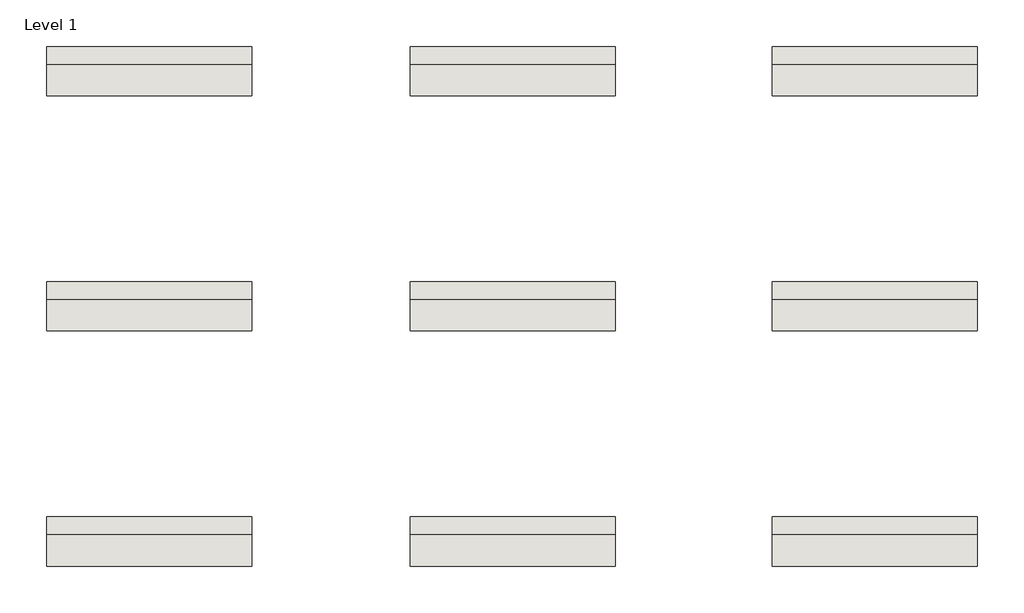
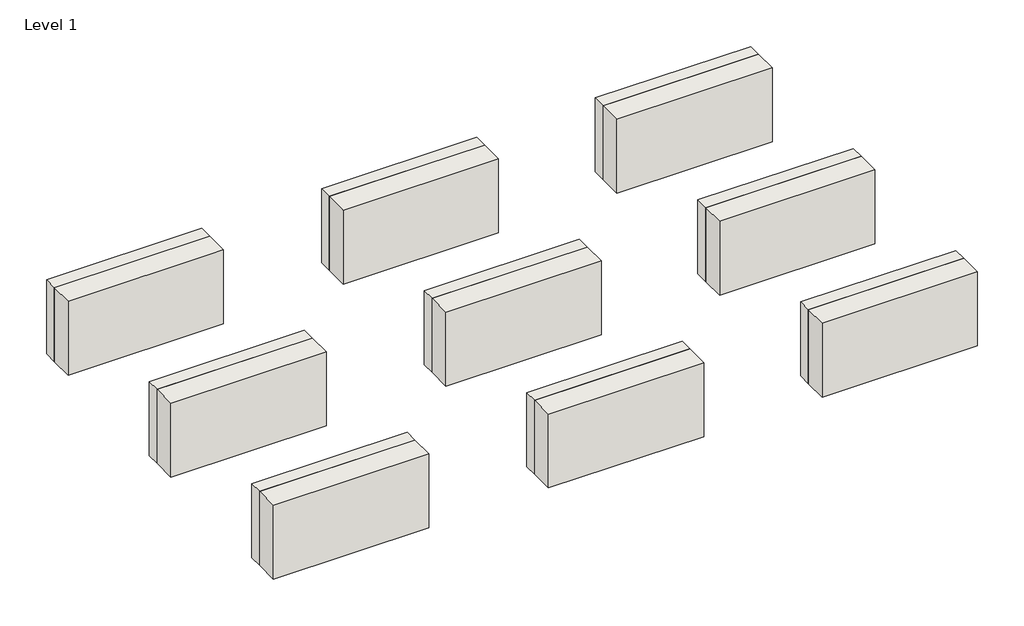
# One storey: 9 walls.
"""IFC4 building model written with IfcOpenShell, lengths in millimetres."""

from ifc_helpers import new_model, si_unit, origin, origin_with_axes, place, context, project, spatial, polyline, outline, extrude, element, save

model = new_model("IFC4")

# Units and contexts
model_context = context("Model", 3, world=origin())
ifc_project = project(units=[si_unit("LENGTHUNIT", "METRE", prefix="MILLI")], contexts=[model_context])

# Site, building, storey
site = spatial("IfcSite", under=ifc_project)
building = spatial("IfcBuilding", under=site)
storey = spatial("IfcBuildingStorey", under=building, Name="Level 1", Elevation=0.0)

# Walls
placement = place(None, origin())
element("IfcWall", 1, at=placement, inside=storey, context=model_context, shape_type="SweptSolid", body=[
    extrude(outline(polyline([(-9359.6095651, -3305.4213629), (-10669.6095651, -3305.4213629), (-10669.6095651, -3105.4213629), (-9359.6095651, -3105.4213629), (-9359.6095651, -3305.4213629)])), origin_with_axes(), (0.0, 0.0, 1.0), 660.0),
    extrude(outline(polyline([(-10669.6095651, -2990.4213629), (-9359.6095651, -2990.4213629), (-9359.6095651, -3105.4213629), (-10669.6095651, -3105.4213629), (-10669.6095651, -2990.4213629)])), origin_with_axes(), (0.0, 0.0, 1.0), 660.0),
])
element("IfcWall", 2, at=placement, inside=storey, context=model_context, shape_type="SweptSolid", body=[
    extrude(outline(polyline([(-7039.6095651, -3305.4213629), (-8349.6095651, -3305.4213629), (-8349.6095651, -3105.4213629), (-7039.6095651, -3105.4213629), (-7039.6095651, -3305.4213629)])), origin_with_axes(), (0.0, 0.0, 1.0), 660.0),
    extrude(outline(polyline([(-8349.6095651, -2990.4213629), (-7039.6095651, -2990.4213629), (-7039.6095651, -3105.4213629), (-8349.6095651, -3105.4213629), (-8349.6095651, -2990.4213629)])), origin_with_axes(), (0.0, 0.0, 1.0), 660.0),
])
element("IfcWall", 3, at=placement, inside=storey, context=model_context, shape_type="SweptSolid", body=[
    extrude(outline(polyline([(-4729.6095651, -3305.4213629), (-6039.6095651, -3305.4213629), (-6039.6095651, -3105.4213629), (-4729.6095651, -3105.4213629), (-4729.6095651, -3305.4213629)])), origin_with_axes(), (0.0, 0.0, 1.0), 660.0),
    extrude(outline(polyline([(-6039.6095651, -2990.4213629), (-4729.6095651, -2990.4213629), (-4729.6095651, -3105.4213629), (-6039.6095651, -3105.4213629), (-6039.6095651, -2990.4213629)])), origin_with_axes(), (0.0, 0.0, 1.0), 660.0),
])
element("IfcWall", 4, at=placement, inside=storey, context=model_context, shape_type="SweptSolid", body=[
    extrude(outline(polyline([(-9359.6095651, -4805.4213629), (-10669.6095651, -4805.4213629), (-10669.6095651, -4605.4213629), (-9359.6095651, -4605.4213629), (-9359.6095651, -4805.4213629)])), origin_with_axes(), (0.0, 0.0, 1.0), 660.0),
    extrude(outline(polyline([(-10669.6095651, -4490.4213629), (-9359.6095651, -4490.4213629), (-9359.6095651, -4605.4213629), (-10669.6095651, -4605.4213629), (-10669.6095651, -4490.4213629)])), origin_with_axes(), (0.0, 0.0, 1.0), 660.0),
])
element("IfcWall", 5, at=placement, inside=storey, context=model_context, shape_type="SweptSolid", body=[
    extrude(outline(polyline([(-7039.6095651, -4805.4213629), (-8349.6095651, -4805.4213629), (-8349.6095651, -4605.4213629), (-7039.6095651, -4605.4213629), (-7039.6095651, -4805.4213629)])), origin_with_axes(), (0.0, 0.0, 1.0), 660.0),
    extrude(outline(polyline([(-8349.6095651, -4490.4213629), (-7039.6095651, -4490.4213629), (-7039.6095651, -4605.4213629), (-8349.6095651, -4605.4213629), (-8349.6095651, -4490.4213629)])), origin_with_axes(), (0.0, 0.0, 1.0), 660.0),
])
element("IfcWall", 6, at=placement, inside=storey, context=model_context, shape_type="SweptSolid", body=[
    extrude(outline(polyline([(-4729.6095651, -4805.4213629), (-6039.6095651, -4805.4213629), (-6039.6095651, -4605.4213629), (-4729.6095651, -4605.4213629), (-4729.6095651, -4805.4213629)])), origin_with_axes(), (0.0, 0.0, 1.0), 660.0),
    extrude(outline(polyline([(-6039.6095651, -4490.4213629), (-4729.6095651, -4490.4213629), (-4729.6095651, -4605.4213629), (-6039.6095651, -4605.4213629), (-6039.6095651, -4490.4213629)])), origin_with_axes(), (0.0, 0.0, 1.0), 660.0),
])
element("IfcWall", 7, at=placement, inside=storey, context=model_context, shape_type="SweptSolid", body=[
    extrude(outline(polyline([(-9359.6095651, -6305.4213629), (-10669.6095651, -6305.4213629), (-10669.6095651, -6105.4213629), (-9359.6095651, -6105.4213629), (-9359.6095651, -6305.4213629)])), origin_with_axes(), (0.0, 0.0, 1.0), 660.0),
    extrude(outline(polyline([(-10669.6095651, -5990.4213629), (-9359.6095651, -5990.4213629), (-9359.6095651, -6105.4213629), (-10669.6095651, -6105.4213629), (-10669.6095651, -5990.4213629)])), origin_with_axes(), (0.0, 0.0, 1.0), 660.0),
])
element("IfcWall", 8, at=placement, inside=storey, context=model_context, shape_type="SweptSolid", body=[
    extrude(outline(polyline([(-7039.6095651, -6305.4213629), (-8349.6095651, -6305.4213629), (-8349.6095651, -6105.4213629), (-7039.6095651, -6105.4213629), (-7039.6095651, -6305.4213629)])), origin_with_axes(), (0.0, 0.0, 1.0), 660.0),
    extrude(outline(polyline([(-8349.6095651, -5990.4213629), (-7039.6095651, -5990.4213629), (-7039.6095651, -6105.4213629), (-8349.6095651, -6105.4213629), (-8349.6095651, -5990.4213629)])), origin_with_axes(), (0.0, 0.0, 1.0), 660.0),
])
element("IfcWall", 9, at=placement, inside=storey, context=model_context, shape_type="SweptSolid", body=[
    extrude(outline(polyline([(-4729.6095651, -6305.4213629), (-6039.6095651, -6305.4213629), (-6039.6095651, -6105.4213629), (-4729.6095651, -6105.4213629), (-4729.6095651, -6305.4213629)])), origin_with_axes(), (0.0, 0.0, 1.0), 660.0),
    extrude(outline(polyline([(-6039.6095651, -5990.4213629), (-4729.6095651, -5990.4213629), (-4729.6095651, -6105.4213629), (-6039.6095651, -6105.4213629), (-6039.6095651, -5990.4213629)])), origin_with_axes(), (0.0, 0.0, 1.0), 660.0),
])

save(model, "model.ifc")
